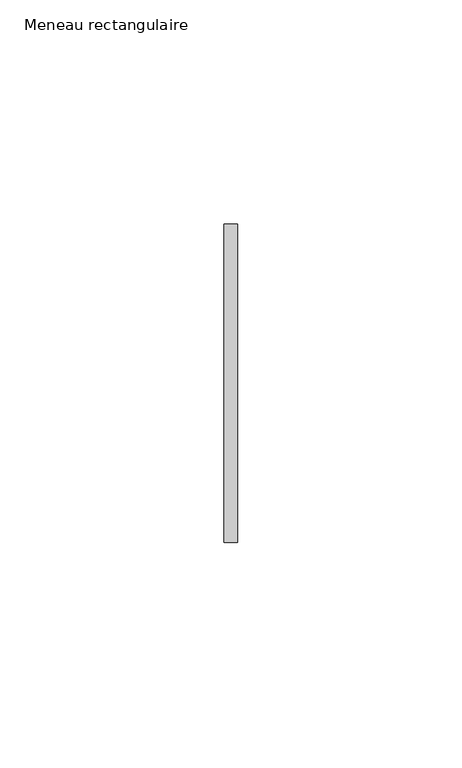
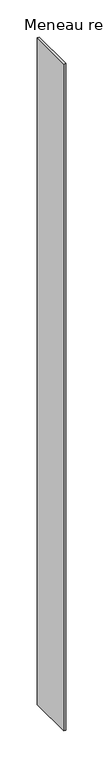
"""IFC4 building model written with IfcOpenShell, lengths in millimetres: member geometry, Meneau rectangulaire."""

from ifc_helpers import new_model, si_unit, frame, origin, place, context, project, spatial, polyline, outline, extrude, source, transform, mapped, element, save


def meneau_rectangulaire_684de213(model_context):
    return source(origin(), model_context, "Body", "SweptSolid", [
        extrude(outline(polyline([(-1.5, 35.5), (1.5, 35.5), (1.5, -35.5), (-1.5, -35.5), (-1.5, 35.5)])), frame((0.0, 0.0, -1092.8749998), z_axis=(0.0, 0.0, 1.0), x_axis=(1.0, 0.0, 0.0)), (0.0, 0.0, 1.0), 1092.8749998),
    ])


if __name__ == "__main__":
    model = new_model("IFC4")
    model_context = context("Model", 3, world=origin())
    ifc_project = project(units=[si_unit("LENGTHUNIT", "METRE", prefix="MILLI")], contexts=[model_context])
    site = spatial("IfcSite", under=ifc_project)
    building = spatial("IfcBuilding", under=site)
    placement = place(None, origin())
    meneau_rectangulaire_shape = meneau_rectangulaire_684de213(model_context)
    element("IfcMember", 1, ObjectType="Meneau rectangulaire", at=placement, inside=building, context=model_context, shape_type="MappedRepresentation", body=[
        mapped(meneau_rectangulaire_shape, transform((0.0, 0.0, 0.0), x_axis=(1.0, 0.0, 0.0), y_axis=(0.0, 1.0, 0.0), z_axis=(0.0, 0.0, 1.0))),
    ])
    save(model, "model.ifc")
